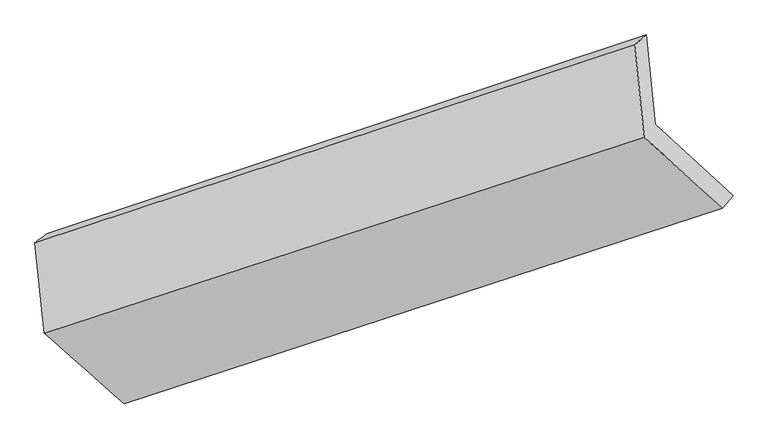
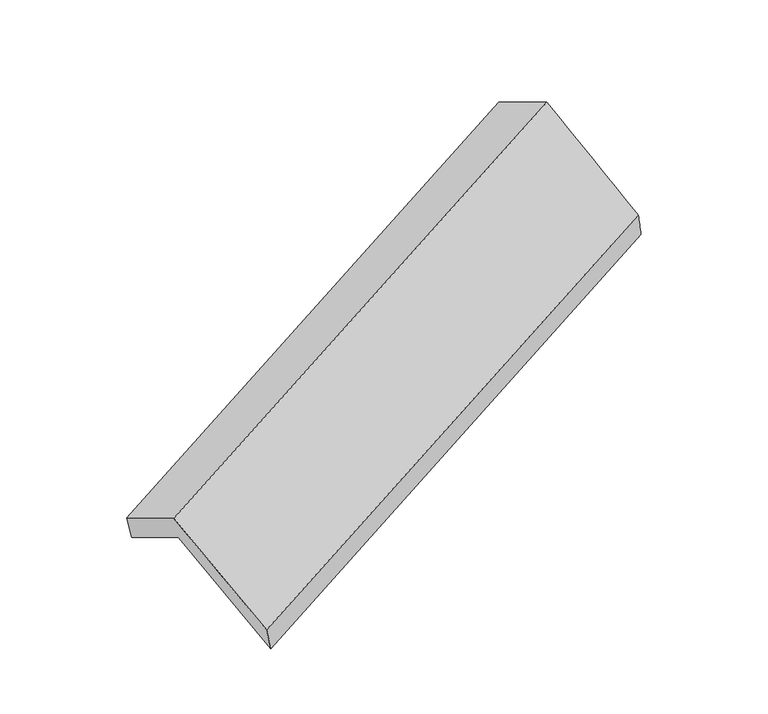
"""IFC4 building model written with IfcOpenShell, lengths in millimetres: proxy geometry."""

from ifc_helpers import new_model, si_unit, frame, origin, place, context, project, spatial, source, transform, mapped, element, save
from ifc_brep_helpers import plane_surface, spline_surface, advanced_brep


def generic_models_15d9a33a(model_context):
    return source(origin(), model_context, "Body", "AdvancedBrep", [
        advanced_brep(
        [(-3859.2283482, -2224.1556231, 1019.7401213), (-4195.2959785, -1927.7888356, 1602.4900745), (-1674.3835397, -1091.4988045, 2627.1167437), (-1347.0978693, -1390.6568755, 2041.0126246), (-4233.4430672, -1551.1820383, 1388.9615316), (-1712.5306285, -714.8920072, 2413.5882007), (-4283.3057936, -1588.3634724, 1541.6027162), (-1760.4436712, -756.7699671, 2570.0485109), (-4244.7936901, -1968.5738741, 1757.1744309), (-1721.180138, -1144.3988522, 2789.8263577), (-3907.2655581, -2266.2286292, 1171.89193), (-1393.2628798, -1444.134231, 2202.5911895)],
        [
            (0, 1),
            (1, 2),
            (2, 3),
            (3, 0),
            (1, 4),
            (4, 5),
            (5, 2),
            (4, 6),
            (6, 7),
            (7, 5),
            (6, 8),
            (8, 9),
            (9, 7),
            (8, 10),
            (10, 11),
            (11, 9),
            (10, 0),
            (3, 11),
        ],
        [
            plane_surface(frame((-4027.2621633, -2075.9722294, 1311.1150979), z_axis=(-0.08777397102397896, 0.86654775492215, -0.49131529433762133), x_axis=(-0.4453259901864585, 0.407053764446261, 0.7974910628430755))),
            plane_surface(frame((-4214.3695229, -1739.485437, 1495.725803), z_axis=(0.45622186930471054, -0.4034808920101397, -0.7931360386155817), x_axis=(-0.08777397102394148, 0.8665477549221398, -0.49131529433764576))),
            spline_surface(1, 1, [[(-4233.4430672, -1551.1820383, 1388.9615316), (-1712.5306285, -714.8920072, 2413.5882007)], [(-4283.3057936, -1588.3634724, 1541.6027162), (-1760.4436712, -756.7699671, 2570.0485109)]], [2, 2], [2, 2], [0.0, 1.0], [0.0, 1.0]),
            plane_surface(frame((-4264.0497419, -1778.4686733, 1649.3885736), z_axis=(-0.45629791938012365, 0.4034556610353764, 0.7931051243989526), x_axis=(0.08777397102393902, -0.8665477549221282, 0.49131529433766674))),
            spline_surface(1, 1, [[(-4244.7936901, -1968.5738741, 1757.1744309), (-1721.180138, -1144.3988522, 2789.8263577)], [(-3907.2655581, -2266.2286292, 1171.89193), (-1393.2628798, -1444.134231, 2202.5911895)]], [2, 2], [2, 2], [0.0, 1.0], [0.0, 1.0]),
            spline_surface(1, 1, [[(-3907.2655581, -2266.2286292, 1171.89193), (-1393.2628798, -1444.134231, 2202.5911895)], [(-3859.2283482, -2224.1556231, 1019.7401213), (-1347.0978693, -1390.6568755, 2041.0126246)]], [2, 2], [2, 2], [0.0, 1.0], [0.0, 1.0]),
            plane_surface(frame((-1601.4831211, -1090.3917896, 2440.6972712), z_axis=(0.8910558301672984, 0.28879442738651906, 0.3501675116788523), x_axis=(0.44532599018646274, -0.4070537644463125, -0.7974910628430468))),
            plane_surface(frame((-4120.5554059, -1921.0487455, 1413.6434674), z_axis=(-0.8850361378179391, -0.29419861192697744, -0.3607744607043932), x_axis=(-0.2911191851262578, -0.2549744097757916, 0.9220833315980235))),
        ],
        [
            (0, [[1, 2, 3, 4]]),
            (1, [[5, 6, 7, -2]]),
            (2, [[8, 9, 10, -6]]),
            (3, [[11, 12, 13, -9]]),
            (4, [[14, 15, 16, -12]]),
            (5, [[17, -4, 18, -15]]),
            (6, [[-16, -18, -3, -7, -10, -13]]),
            (7, [[-17, -14, -11, -8, -5, -1]]),
        ],
    ),
    ])


if __name__ == "__main__":
    model = new_model("IFC4")
    model_context = context("Model", 3, world=origin())
    ifc_project = project(units=[si_unit("LENGTHUNIT", "METRE", prefix="MILLI")], contexts=[model_context])
    site = spatial("IfcSite", under=ifc_project)
    building = spatial("IfcBuilding", under=site)
    placement = place(None, origin())
    generic_models_shape = generic_models_15d9a33a(model_context)
    element("IfcBuildingElementProxy", 1, Name="Generic Models", at=placement, inside=building, context=model_context, shape_type="MappedRepresentation", body=[
        mapped(generic_models_shape, transform((0.0, 0.0, 0.0), x_axis=(1.0, 0.0, 0.0), y_axis=(0.0, 1.0, 0.0), z_axis=(0.0, 0.0, 1.0))),
    ])
    save(model, "model.ifc")
